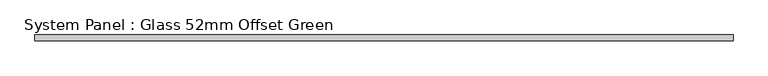
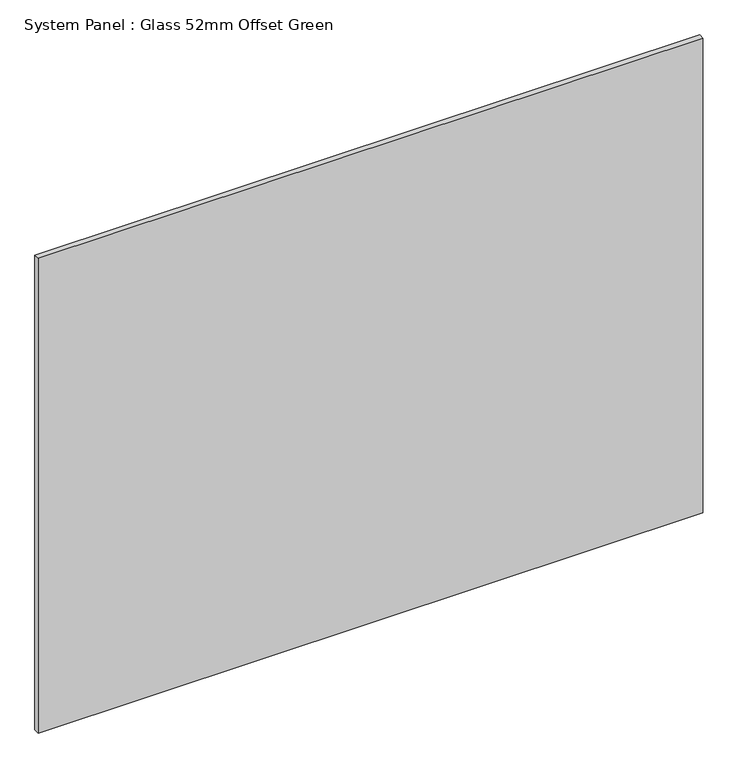
"""IFC4 building model written with IfcOpenShell, lengths in millimetres: plate geometry, System Panel : Glass 52mm Offset Green."""

from ifc_helpers import new_model, si_unit, origin, origin_with_axes, place, context, project, spatial, polyline, outline, extrude, source, transform, mapped, element, save


def system_panel_glass_52mm_offset_green_b3a9f493(model_context):
    return source(origin(), model_context, "Body", "SweptSolid", [
        extrude(outline(polyline([(610.0140638, -57.0), (-610.0140638, -57.0), (-610.0140638, -47.0), (610.0140638, -47.0), (610.0140638, -57.0)])), origin_with_axes(), (0.0, 0.0, 1.0), 921.5045338),
    ])


if __name__ == "__main__":
    model = new_model("IFC4")
    model_context = context("Model", 3, world=origin())
    ifc_project = project(units=[si_unit("LENGTHUNIT", "METRE", prefix="MILLI")], contexts=[model_context])
    site = spatial("IfcSite", under=ifc_project)
    building = spatial("IfcBuilding", under=site)
    placement = place(None, origin())
    system_panel_glass_52mm_offset_green_shape = system_panel_glass_52mm_offset_green_b3a9f493(model_context)
    element("IfcPlate", 1, ObjectType="System Panel : Glass 52mm Offset Green", at=placement, inside=building, context=model_context, shape_type="MappedRepresentation", body=[
        mapped(system_panel_glass_52mm_offset_green_shape, transform((0.0, 0.0, 0.0), x_axis=(1.0, 0.0, 0.0), y_axis=(0.0, 1.0, 0.0), z_axis=(0.0, 0.0, 1.0))),
    ])
    save(model, "model.ifc")
